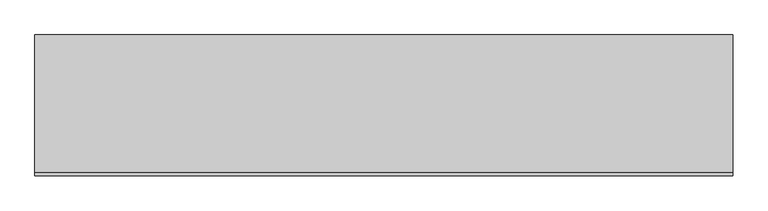
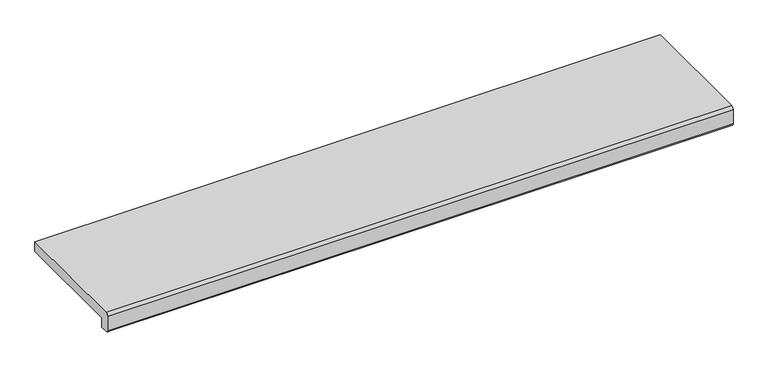
"""IFC4 building model written with IfcOpenShell, lengths in millimetres: proxy geometry."""

from ifc_helpers import new_model, si_unit, point, frame, frame_2d, origin, place, context, project, spatial, polyline, circle_curve, trimmed, segment, composite_curve, outline, extrude, source, transform, mapped, element, save


def generic_models_eb943998(model_context):
    return source(origin(), model_context, "Body", "SweptSolid", [
        extrude(outline(composite_curve([segment(polyline([(-245.0, 30.0), (0.0, 30.0), (0.0, 10.0), (-230.0, 10.0), (-230.0, -10.0), (-245.0, -10.0)]), True, "CONTINUOUS"), segment(trimmed(circle_curve(frame_2d((-245.0, -5.0)), 5.0), [point((-245.0, -10.0))], [point((-250.0, -5.0))], False, "CARTESIAN"), True, "CONTINUOUS"), segment(polyline([(-250.0, -5.0), (-250.0, 25.0)]), True, "CONTINUOUS"), segment(trimmed(circle_curve(frame_2d((-245.0, 25.0)), 5.0), [point((-250.0, 25.0))], [point((-245.0, 30.0))], False, "CARTESIAN"), True, "CONTINUOUS")], self_intersect=False)), frame((-620.0, 0.0, 0.0), z_axis=(1.0, 0.0, 0.0), x_axis=(0.0, 1.0, 0.0)), (0.0, 0.0, 1.0), 1240.0),
    ])


if __name__ == "__main__":
    model = new_model("IFC4")
    model_context = context("Model", 3, world=origin())
    ifc_project = project(units=[si_unit("LENGTHUNIT", "METRE", prefix="MILLI")], contexts=[model_context])
    site = spatial("IfcSite", under=ifc_project)
    building = spatial("IfcBuilding", under=site)
    placement = place(None, origin())
    generic_models_shape = generic_models_eb943998(model_context)
    element("IfcBuildingElementProxy", 1, Name="Generic Models", at=placement, inside=building, context=model_context, shape_type="MappedRepresentation", body=[
        mapped(generic_models_shape, transform((0.0, 0.0, 0.0), x_axis=(1.0, 0.0, 0.0), y_axis=(0.0, 1.0, 0.0), z_axis=(0.0, 0.0, 1.0))),
    ])
    save(model, "model.ifc")
